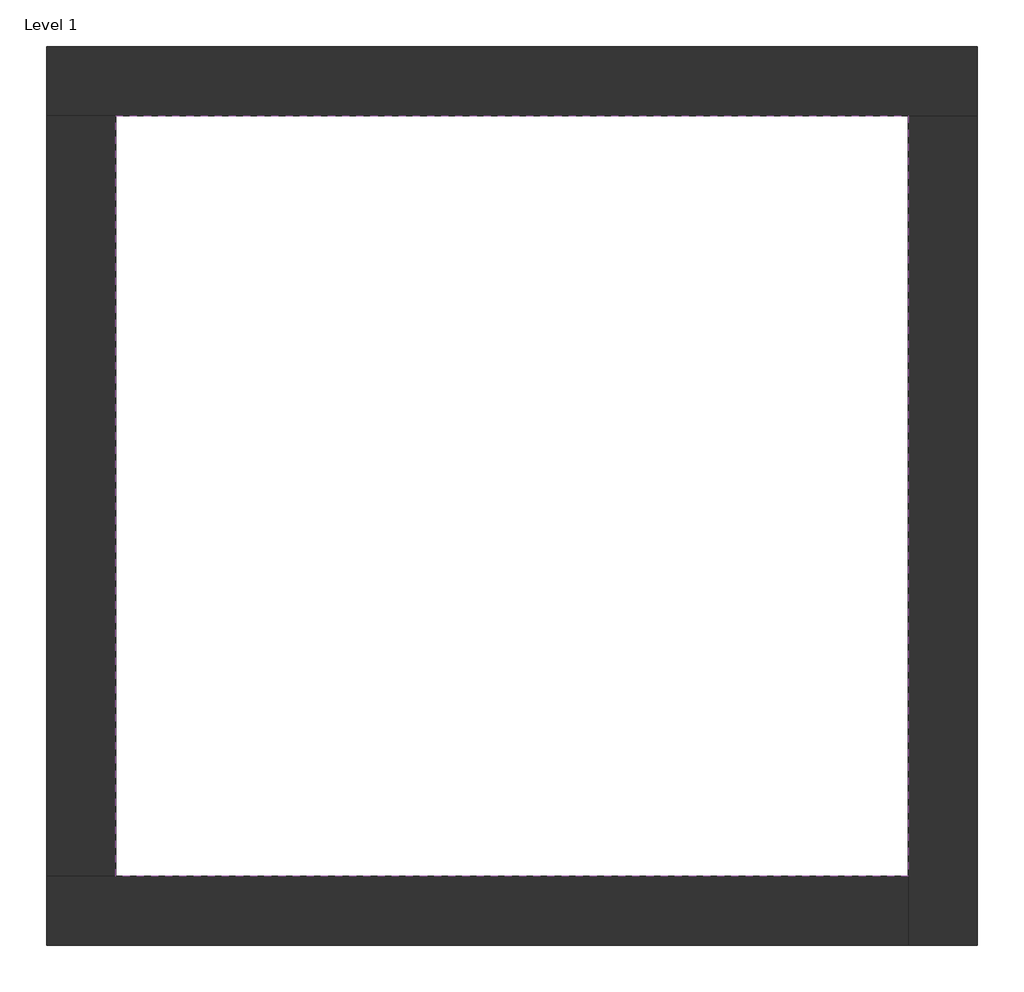
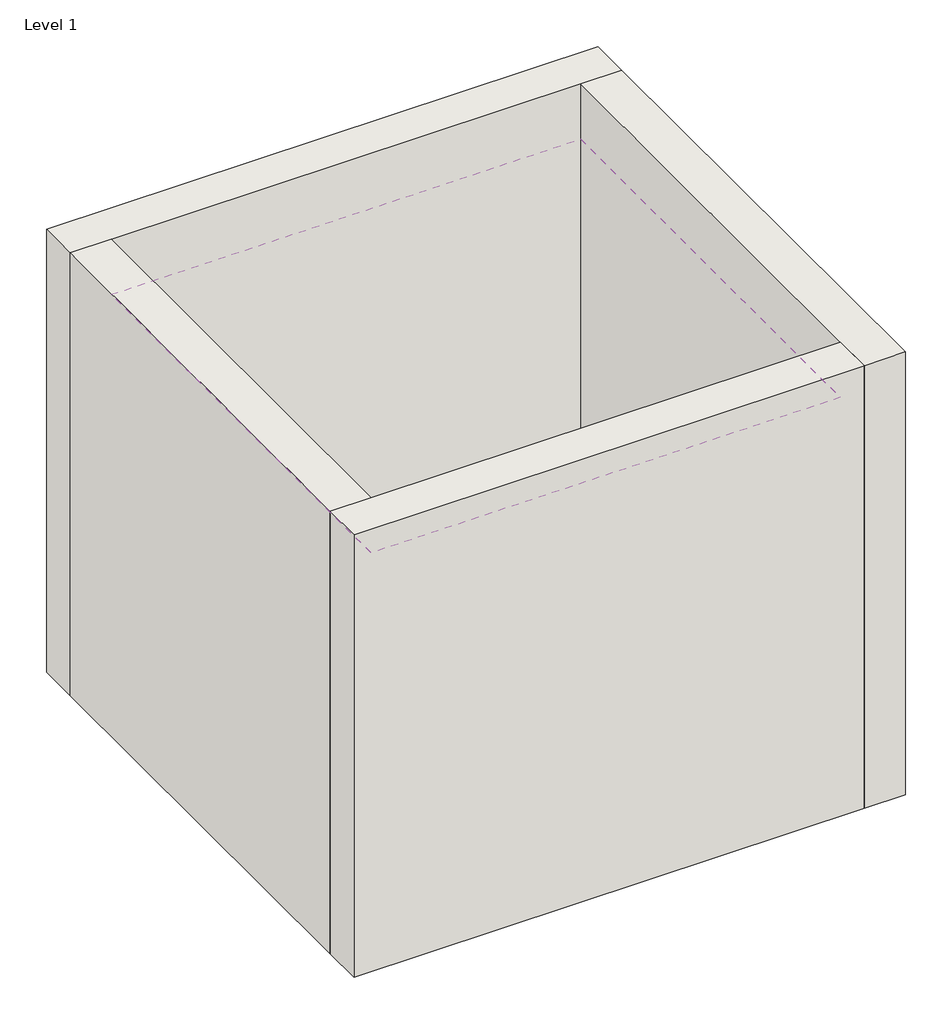
# One storey: 4 walls, 1 covering.
"""IFC4 building model written with IfcOpenShell, lengths in millimetres."""

import ifcopenshell
import ifcopenshell.guid

model = None  # the IFC model being written
_history = None  # IfcOwnerHistory: only IFC2X3 demands one
_inside = {}  # id of a spatial element -> (the spatial element, [elements in it])
_under = {}  # id of a project, library or spatial element -> (it, [spatial elements below it])
_declared = {}  # id of a project -> (the project, [libraries it declares])
_typed = {}  # id of a type object -> (the type object, [elements of that type])
_made_of = {}  # id of a material, layer set ... -> (it, [elements and type objects made of it])


def new_model(schema):
    """Start an empty IFC model of exactly this schema.

    Asked for "IFC4X3", IfcOpenShell would pick the latest addendum, in which some entities
    have other attributes; the version numbers below select the first issue.
    IFC2X3 requires an IfcOwnerHistory on every rooted entity: one is made here for all.
    """
    global model, _history
    if schema == "IFC4X3":
        model = ifcopenshell.file(schema_version=(4, 3, 0, 0))
    else:
        model = ifcopenshell.file(schema=schema)
    _inside.clear()
    _under.clear()
    _declared.clear()
    _typed.clear()
    _made_of.clear()
    _history = None
    if model.schema == "IFC2X3":
        org = make("IfcOrganization", Name="unknown")
        user = make(
            "IfcPersonAndOrganization",
            ThePerson=make("IfcPerson", FamilyName="unknown"),
            TheOrganization=org,
        )
        app = make(
            "IfcApplication",
            ApplicationDeveloper=org,
            Version="unknown",
            ApplicationFullName="unknown",
            ApplicationIdentifier="unknown",
        )
        _history = make(
            "IfcOwnerHistory",
            OwningUser=user,
            OwningApplication=app,
            ChangeAction="ADDED",
            CreationDate=0,
        )
    return model


def make(cls, **values):
    """One entity of the class cls with the attributes given. An attribute that is None is left unset."""
    return model.create_entity(
        cls, **{name: value for name, value in values.items() if value is not None}
    )


def rooted(cls, **values):
    """An entity with a GlobalId (a new one), such as an element, a storey or a relation."""
    return make(cls, GlobalId=ifcopenshell.guid.new(), OwnerHistory=_history, **values)


def si_unit(unit_type, name, prefix=None):
    """IfcSIUnit, for example si_unit("LENGTHUNIT", "METRE", prefix="MILLI")."""
    return make("IfcSIUnit", UnitType=unit_type, Prefix=prefix, Name=name)


def assignment(units):
    """IfcUnitAssignment: the units of a project."""
    return None if units is None else make("IfcUnitAssignment", Units=units)


def point(xyz):
    """IfcCartesianPoint."""
    return None if xyz is None else make("IfcCartesianPoint", Coordinates=xyz)


def direction(xyz):
    """IfcDirection."""
    return None if xyz is None else make("IfcDirection", DirectionRatios=xyz)


def frame(location, z_axis=None, x_axis=None):
    """IfcAxis2Placement3D, a coordinate frame: its origin and axes. An axis left out is left unset."""
    return make(
        "IfcAxis2Placement3D",
        Location=point(location),
        Axis=direction(z_axis),
        RefDirection=direction(x_axis),
    )


def origin():
    """The frame at (0, 0, 0) with its axes left unset."""
    return frame((0.0, 0.0, 0.0))


def origin_with_axes():
    """The frame at (0, 0, 0) with the z axis (0, 0, 1) and the x axis (1, 0, 0) written out."""
    return frame((0.0, 0.0, 0.0), z_axis=(0.0, 0.0, 1.0), x_axis=(1.0, 0.0, 0.0))


def place(relative_to, where):
    """IfcLocalPlacement: puts the frame where relative to a parent placement (None: the world)."""
    return make(
        "IfcLocalPlacement", PlacementRelTo=relative_to, RelativePlacement=where
    )


def context(
    kind, dimensions, precision=None, world=None, true_north=None, identifier=None
):
    """IfcGeometricRepresentationContext, for example the 3D "Model" context."""
    return make(
        "IfcGeometricRepresentationContext",
        ContextIdentifier=identifier,
        ContextType=kind,
        CoordinateSpaceDimension=dimensions,
        Precision=precision,
        WorldCoordinateSystem=world,
        TrueNorth=true_north,
    )


def project(units=None, contexts=None):
    """IfcProject with its units and contexts."""
    return rooted(
        "IfcProject",
        Name="project",
        RepresentationContexts=contexts,
        UnitsInContext=assignment(units),
    )


def spatial(cls, under=None, at=None, **own):
    """A site, building, storey or space (cls), placed at a placement, below another one or the project."""
    s = rooted(cls, ObjectPlacement=at, **own)
    if under is not None:
        _under.setdefault(under.id(), (under, []))[1].append(s)
    return s


def polyline(points):
    """IfcPolyline through the points."""
    return make("IfcPolyline", Points=[point(p) for p in points])


def outline(outer, holes=None, kind="AREA"):
    """IfcArbitraryClosedProfileDef: a profile drawn as a closed curve; with holes, ...WithVoids."""
    if holes is None:
        return make("IfcArbitraryClosedProfileDef", ProfileType=kind, OuterCurve=outer)
    return make(
        "IfcArbitraryProfileDefWithVoids",
        ProfileType=kind,
        OuterCurve=outer,
        InnerCurves=holes,
    )


def extrude(swept, where, along, depth):
    """IfcExtrudedAreaSolid: the profile swept, set in the frame where, extruded along a direction by depth."""
    return make(
        "IfcExtrudedAreaSolid",
        SweptArea=swept,
        Position=where,
        ExtrudedDirection=direction(along),
        Depth=depth,
    )


def faces_of(points, faces, orient=None, outer=None):
    """IfcFace entities. A face is a list of loops; a loop is a list of indices into points, from 0.

    orient and outer hold one flag for each loop. By default every Orientation is true, the
    first loop of a face is its IfcFaceOuterBound and the others are IfcFaceBound.
    """
    made = []
    for i, loops in enumerate(faces):
        bounds = []
        for j, loop in enumerate(loops):
            is_outer = j == 0 if outer is None else outer[i][j]
            bounds.append(
                make(
                    "IfcFaceOuterBound" if is_outer else "IfcFaceBound",
                    Bound=make("IfcPolyLoop", Polygon=[points[k] for k in loop]),
                    Orientation=True if orient is None else orient[i][j],
                )
            )
        made.append(make("IfcFace", Bounds=bounds))
    return made


def faceted_brep(points, faces, orient=None, outer=None, voids=None):
    """IfcFacetedBrep: a solid bounded by flat faces; with voids (closed shells), ...WithVoids."""
    shared = [point(p) for p in points]
    hull = make("IfcClosedShell", CfsFaces=faces_of(shared, faces, orient, outer))
    if voids is None:
        return make("IfcFacetedBrep", Outer=hull)
    return make(
        "IfcFacetedBrepWithVoids",
        Outer=hull,
        Voids=[
            make(cls, CfsFaces=faces_of(shared, fs, o, b)) for cls, fs, o, b in voids
        ],
    )


def shape(context_of_items, identifier, shape_type, items):
    """IfcShapeRepresentation: the items that make up one representation, for example the "Body"."""
    return make(
        "IfcShapeRepresentation",
        ContextOfItems=context_of_items,
        RepresentationIdentifier=identifier,
        RepresentationType=shape_type,
        Items=items,
    )


def made_of(thing, what):
    """Note that an element or type object is made of a material, layer set ...; save() writes the relation."""
    if what is not None:
        _made_of.setdefault(what.id(), (what, []))[1].append(thing)
    return thing


def element(
    cls,
    number,
    at=None,
    inside=None,
    cuts=None,
    type_object=None,
    material=None,
    context=None,
    identifier="Body",
    shape_type=None,
    held_by="IfcProductDefinitionShape",
    body=None,
    shapes=None,
    **own,
):
    """One element of the class cls, such as IfcWall. Its Tag is "e" and its number.

    at: its placement. inside: the storey or other place that contains it. cuts: it is an
    opening in that element (IfcRelVoidsElement). A single representation is given by context,
    identifier, shape_type and body (its items); several are given by shapes. held_by: the class
    of the entity that holds the representations. save() writes the other relations.
    """
    e = rooted(cls, Tag="e%d" % number, ObjectPlacement=at, **own)
    if body is not None:
        shapes = [shape(context, identifier, shape_type, body)]
    if shapes is not None:
        e.Representation = make(held_by, Representations=shapes)
    if inside is not None:
        _inside.setdefault(inside.id(), (inside, []))[1].append(e)
    if cuts is not None:
        rooted(
            "IfcRelVoidsElement", RelatingBuildingElement=cuts, RelatedOpeningElement=e
        )
    if type_object is not None:
        _typed.setdefault(type_object.id(), (type_object, []))[1].append(e)
    return made_of(e, material)


def aggregate(whole, parts):
    """IfcRelAggregates: a whole, such as a stair, and the parts it consists of."""
    return rooted("IfcRelAggregates", RelatingObject=whole, RelatedObjects=parts)


def save(model, path):
    """Write the relations noted so far, then the file.

    IfcRelAggregates (storeys below a building ...), IfcRelContainedInSpatialStructure (elements
    in a storey), IfcRelDefinesByType, IfcRelAssociatesMaterial and IfcRelDeclares: one each for
    every whole, place, type object, material and project.
    """
    for whole, parts in _under.values():
        aggregate(whole, parts)
    for where, things in _inside.values():
        rooted(
            "IfcRelContainedInSpatialStructure",
            RelatedElements=things,
            RelatingStructure=where,
        )
    for kind, things in _typed.values():
        rooted("IfcRelDefinesByType", RelatedObjects=things, RelatingType=kind)
    for what, things in _made_of.values():
        rooted("IfcRelAssociatesMaterial", RelatedObjects=things, RelatingMaterial=what)
    for by, libraries in _declared.values():
        rooted("IfcRelDeclares", RelatingContext=by, RelatedDefinitions=libraries)
    model.write(path)


model = new_model("IFC4")

# Units and contexts
model_context = context("Model", 3, world=origin())
ifc_project = project(units=[si_unit("LENGTHUNIT", "METRE", prefix="MILLI")], contexts=[model_context])

# Site, building, storey
site = spatial("IfcSite", under=ifc_project)
building = spatial("IfcBuilding", under=site)
storey = spatial("IfcBuildingStorey", under=building, Name="Level 1", Elevation=0.0)

# Covering
placement = place(None, origin())
element("IfcCovering", 1, ObjectType="CAP 2 - SiR 01 - PLAFON", at=placement, inside=storey, context=model_context, shape_type="SweptSolid", body=[
    extrude(outline(polyline([(-14894.8573003, 6921.2750283), (-10882.3573003, 6921.2750283), (-10882.3573003, 3071.2750283), (-14894.8573003, 3071.2750283), (-14894.8573003, 6921.2750283)])), frame((0.0, 0.0, 3500.0), z_axis=(0.0, 0.0, 1.0), x_axis=(1.0, 0.0, 0.0)), (0.0, 0.0, 1.0), 114.7),
])

# Walls
element("IfcWall", 2, ObjectType="Exterior - Brick on Mtl. Stud", at=placement, inside=storey, context=model_context, shape_type="Brep", body=[
    faceted_brep([(-15244.8573003, 6921.2750283, 0.0), (-14894.8573003, 6921.2750283, 0.0), (-10882.3573003, 6921.2750283, 0.0), (-10532.3573003, 6921.2750283, 0.0), (-10532.3573003, 6921.2750283, 4000.0), (-10882.3573003, 6921.2750283, 4000.0), (-14894.8573003, 6921.2750283, 4000.0), (-15244.8573003, 6921.2750283, 4000.0), (-15244.8573003, 7271.2750283, 0.0), (-15244.8573003, 7271.2750283, 4000.0), (-10532.3573003, 7271.2750283, 4000.0), (-10532.3573003, 7271.2750283, 0.0)], [[[0, 1, 2, 3, 4, 5, 6, 7]], [[8, 9, 10, 11]], [[3, 2, 1, 0, 8, 11]], [[7, 6, 5, 4, 10, 9]], [[0, 7, 9, 8]], [[4, 3, 11, 10]]]),
])
element("IfcWall", 3, ObjectType="Exterior - Brick on Mtl. Stud", at=placement, inside=storey, context=model_context, shape_type="Brep", body=[
    faceted_brep([(-10882.3573003, 6921.2750283, 0.0), (-10882.3573003, 3071.2750283, 0.0), (-10882.3573003, 2721.2750283, 0.0), (-10882.3573003, 2721.2750283, 4000.0), (-10882.3573003, 3071.2750283, 4000.0), (-10882.3573003, 6921.2750283, 4000.0), (-10532.3573003, 6921.2750283, 0.0), (-10532.3573003, 6921.2750283, 4000.0), (-10532.3573003, 2721.2750283, 4000.0), (-10532.3573003, 2721.2750283, 0.0)], [[[0, 1, 2, 3, 4, 5]], [[6, 7, 8, 9]], [[2, 1, 0, 6, 9]], [[5, 4, 3, 8, 7]], [[3, 2, 9, 8]], [[0, 5, 7, 6]]]),
])
element("IfcWall", 4, ObjectType="Exterior - Brick on Mtl. Stud", at=placement, inside=storey, context=model_context, shape_type="Brep", body=[
    faceted_brep([(-10882.3573003, 3071.2750283, 0.0), (-14894.8573003, 3071.2750283, 0.0), (-15244.8573003, 3071.2750283, 0.0), (-15244.8573003, 3071.2750283, 4000.0), (-14894.8573003, 3071.2750283, 4000.0), (-10882.3573003, 3071.2750283, 4000.0), (-10882.3573003, 2721.2750283, 0.0), (-10882.3573003, 2721.2750283, 4000.0), (-15244.8573003, 2721.2750283, 4000.0), (-15244.8573003, 2721.2750283, 0.0)], [[[0, 1, 2, 3, 4, 5]], [[6, 7, 8, 9]], [[2, 1, 0, 6, 9]], [[5, 4, 3, 8, 7]], [[3, 2, 9, 8]], [[0, 5, 7, 6]]]),
])
element("IfcWall", 5, ObjectType="Exterior - Brick on Mtl. Stud", at=placement, inside=storey, context=model_context, shape_type="SweptSolid", body=[
    extrude(outline(polyline([(-14894.8573003, 6921.2750283), (-14894.8573003, 3071.2750283), (-15244.8573003, 3071.2750283), (-15244.8573003, 6921.2750283), (-14894.8573003, 6921.2750283)])), origin_with_axes(), (0.0, 0.0, 1.0), 4000.0),
])

save(model, "model.ifc")
